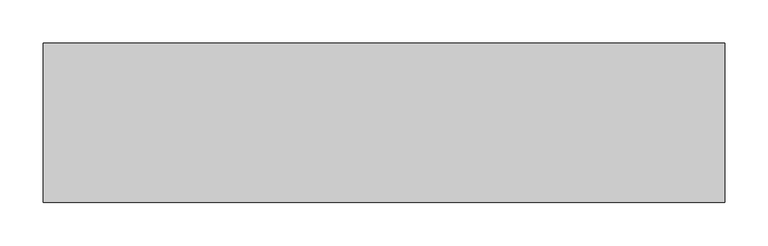
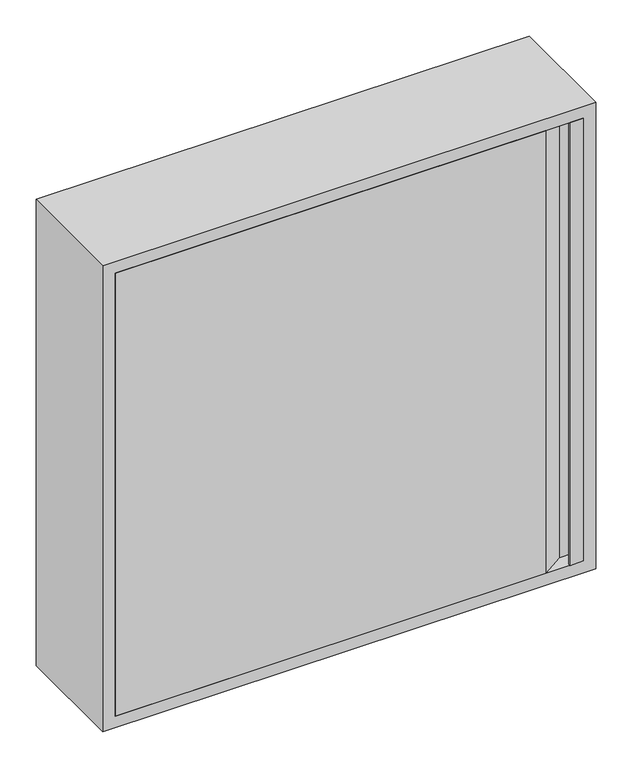
"""IFC4 building model written with IfcOpenShell, lengths in millimetres: fire suppression terminal geometry."""

from ifc_helpers import new_model, si_unit, point, frame, frame_2d, origin, place, context, project, spatial, polyline, circle_curve, trimmed, segment, composite_curve, outline, extrude, faceted_brep, source, transform, mapped, element, save


def fire_suppression_terminal_f7a833de(model_context):
    return source(origin(), model_context, "Body", "SolidModel", [
        extrude(outline(composite_curve([segment(trimmed(circle_curve(frame_2d((-355.1374166, -354.9676042)), 3.007614), [point((-352.1298027, -354.9676042))], [point((-358.1450306, -354.9676042))], False, "CARTESIAN"), True, "CONTINUOUS"), segment(trimmed(circle_curve(frame_2d((-355.1374166, -354.9676042)), 3.007614), [point((-358.1450306, -354.9676042))], [point((-352.1298027, -354.9676042))], False, "CARTESIAN"), True, "CONTINUOUS")], self_intersect=False)), frame((0.0, -20.0, 0.0), z_axis=(0.0, 1.0, 0.0), x_axis=(0.0, 0.0, 1.0)), (0.0, 0.0, 1.0), 15.0),
        extrude(outline(polyline([(353.0, -185.0), (353.0, -182.0), (354.5, -182.0), (354.5, -183.5), (373.5, -183.5), (373.5, -161.5), (350.0, -161.5), (315.0, -185.0), (-375.0, -185.0), (-375.0, -160.0), (-373.5, -160.0), (-373.5, -183.5), (314.5431419, -183.5), (349.5431419, -160.0), (375.0, -160.0), (375.0, -185.0), (353.0, -185.0)])), frame((0.0, 0.0, -375.0), z_axis=(0.0, 0.0, 1.0), x_axis=(1.0, 0.0, 0.0)), (0.0, 0.0, 1.0), 750.0),
        faceted_brep([(-375.0, -160.0, 375.0), (-375.0, -185.0, 375.0), (-375.0, -185.0, -375.0), (-375.0, -160.0, -375.0), (-376.5, -183.5, 376.5), (-376.5, -160.0, 376.5), (-376.5, -160.0, -376.5), (-376.5, -183.5, -376.5), (-393.5, -1.5, 393.5), (-393.5, -183.5, 393.5), (-393.5, -183.5, -393.5), (-393.5, -1.5, -393.5), (-375.0, 0.0, 375.0), (-375.0, -1.5, 375.0), (-375.0, -1.5, -375.0), (-375.0, 0.0, -375.0), (-395.0, -185.0, 395.0), (-395.0, 0.0, 395.0), (-395.0, 0.0, -395.0), (-395.0, -185.0, -395.0), (375.0, -185.0, -375.0), (375.0, -160.0, -375.0), (376.5, -160.0, -376.5), (376.5, -183.5, -376.5), (393.5, -183.5, -393.5), (393.5, -1.5, -393.5), (375.0, -1.5, -375.0), (375.0, 0.0, -375.0), (395.0, 0.0, -395.0), (395.0, -185.0, -395.0), (375.0, -185.0, 375.0), (375.0, -160.0, 375.0), (376.5, -160.0, 376.5), (376.5, -183.5, 376.5), (393.5, -183.5, 393.5), (393.5, -1.5, 393.5), (375.0, -1.5, 375.0), (375.0, 0.0, 375.0), (395.0, 0.0, 395.0), (395.0, -185.0, 395.0)], [[[0, 1, 2, 3]], [[4, 5, 6, 7]], [[8, 9, 10, 11]], [[12, 13, 14, 15]], [[16, 17, 18, 19]], [[3, 2, 20, 21]], [[7, 6, 22, 23]], [[11, 10, 24, 25]], [[15, 14, 26, 27]], [[19, 18, 28, 29]], [[21, 20, 30, 31]], [[23, 22, 32, 33]], [[25, 24, 34, 35]], [[27, 26, 36, 37]], [[29, 28, 38, 39]], [[1, 0, 31, 30]], [[6, 5, 32, 22], [0, 3, 21, 31]], [[5, 4, 33, 32]], [[10, 9, 34, 24], [4, 7, 23, 33]], [[9, 8, 35, 34]], [[8, 11, 25, 35], [14, 13, 36, 26]], [[13, 12, 37, 36]], [[18, 17, 38, 28], [12, 15, 27, 37]], [[17, 16, 39, 38]], [[16, 19, 29, 39], [2, 1, 30, 20]]]),
        extrude(outline(polyline([(395.0, 395.0), (395.0, -395.0), (-395.0, -395.0), (-395.0, 395.0), (395.0, 395.0)]), holes=[composite_curve([segment(trimmed(circle_curve(frame_2d((-355.1374166, -354.9676042)), 18.5), [point((-355.1374166, -373.4676042))], [point((-355.1374166, -336.4676042))], True, "CARTESIAN"), True, "CONTINUOUS"), segment(trimmed(circle_curve(frame_2d((-355.1374166, -354.9676042)), 18.5), [point((-355.1374166, -336.4676042))], [point((-355.1374166, -373.4676042))], True, "CARTESIAN"), True, "CONTINUOUS")], self_intersect=False)]), frame((0.0, -1.5, 0.0), z_axis=(0.0, 1.0, 0.0), x_axis=(0.0, 0.0, 1.0)), (0.0, 0.0, 1.0), 1.5),
    ])


if __name__ == "__main__":
    model = new_model("IFC4")
    model_context = context("Model", 3, world=origin())
    ifc_project = project(units=[si_unit("LENGTHUNIT", "METRE", prefix="MILLI")], contexts=[model_context])
    site = spatial("IfcSite", under=ifc_project)
    building = spatial("IfcBuilding", under=site)
    placement = place(None, origin())
    fire_suppression_terminal_shape = fire_suppression_terminal_f7a833de(model_context)
    element("IfcFireSuppressionTerminal", 1, at=placement, inside=building, context=model_context, shape_type="MappedRepresentation", body=[
        mapped(fire_suppression_terminal_shape, transform((0.0, 0.0, 0.0), x_axis=(1.0, 0.0, 0.0), y_axis=(0.0, 1.0, 0.0), z_axis=(0.0, 0.0, 1.0))),
    ])
    save(model, "model.ifc")
